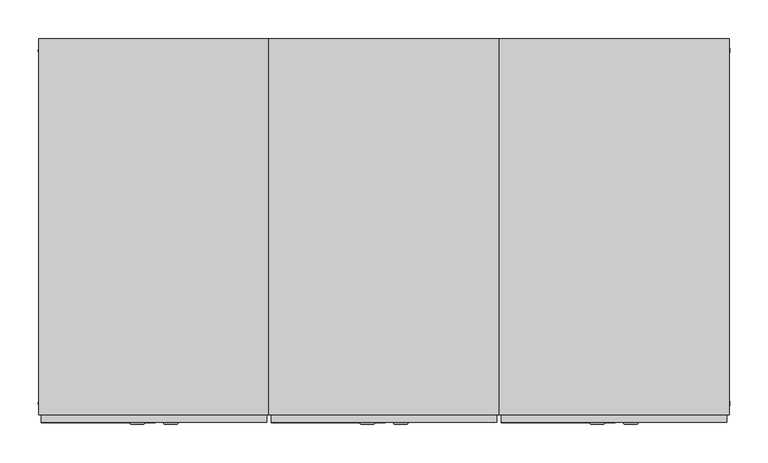
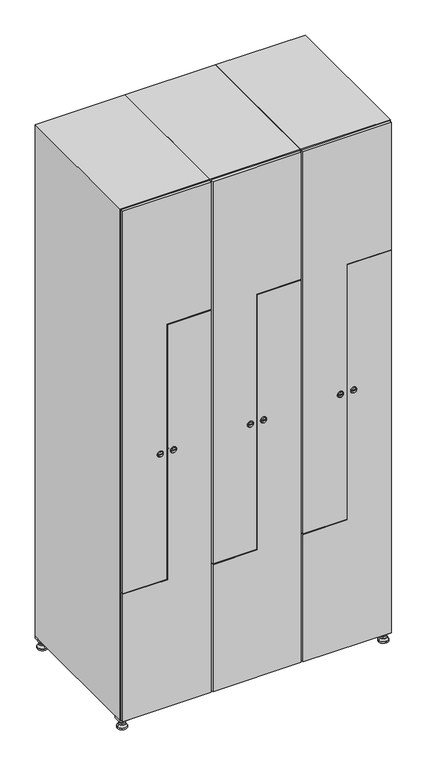
"""IFC4 building model written with IfcOpenShell, lengths in millimetres: furniture geometry."""

from ifc_helpers import new_model, si_unit, point, frame, frame_2d, origin, origin_with_axes, place, context, project, spatial, polyline, circle_curve, trimmed, segment, composite_curve, outline, extrude, faceted_brep, source, transform, mapped, element, save
from ifc_brep_helpers import plane_surface, revolved_surface, advanced_brep


def furniture_1e2fbcb1(model_context):
    return source(origin(), model_context, "Body", "SolidModel", [
        extrude(outline(polyline([(700.0, 245.0), (700.0, 215.0), (670.0, 215.0), (670.0, 245.0), (700.0, 245.0)]), holes=[polyline([(698.0, 243.0), (672.0, 243.0), (672.0, 217.0), (698.0, 217.0), (698.0, 243.0)])]), frame((0.0, 0.0, 28.5), z_axis=(0.0, 0.0, 1.0), x_axis=(1.0, 0.0, 0.0)), (0.0, 0.0, 1.0), 6.5),
        extrude(outline(polyline([(670.0, -245.0), (670.0, -215.0), (700.0, -215.0), (700.0, -245.0), (670.0, -245.0)]), holes=[polyline([(672.0, -243.0), (698.0, -243.0), (698.0, -217.0), (672.0, -217.0), (672.0, -243.0)])]), frame((0.0, 0.0, 28.5), z_axis=(0.0, 0.0, 1.0), x_axis=(1.0, 0.0, 0.0)), (0.0, 0.0, 1.0), 6.5),
        extrude(outline(polyline([(-170.0, 245.0), (-170.0, 215.0), (-200.0, 215.0), (-200.0, 245.0), (-170.0, 245.0)]), holes=[polyline([(-172.0, 243.0), (-198.0, 243.0), (-198.0, 217.0), (-172.0, 217.0), (-172.0, 243.0)])]), frame((0.0, 0.0, 28.5), z_axis=(0.0, 0.0, 1.0), x_axis=(1.0, 0.0, 0.0)), (0.0, 0.0, 1.0), 6.5),
        extrude(outline(polyline([(-170.0, -215.0), (-170.0, -245.0), (-200.0, -245.0), (-200.0, -215.0), (-170.0, -215.0)]), holes=[polyline([(-198.0, -243.0), (-172.0, -243.0), (-172.0, -217.0), (-198.0, -217.0), (-198.0, -243.0)])]), frame((0.0, 0.0, 28.5), z_axis=(0.0, 0.0, 1.0), x_axis=(1.0, 0.0, 0.0)), (0.0, 0.0, 1.0), 6.5),
        extrude(outline(composite_curve([segment(trimmed(circle_curve(frame_2d((-185.0, 230.0)), 5.0), [point((-180.0, 230.0))], [point((-190.0, 230.0))], False, "CARTESIAN"), True, "CONTINUOUS"), segment(trimmed(circle_curve(frame_2d((-185.0, 230.0)), 5.0), [point((-190.0, 230.0))], [point((-180.0, 230.0))], False, "CARTESIAN"), True, "CONTINUOUS")], self_intersect=False)), frame((0.0, 0.0, 19.6), z_axis=(0.0, 0.0, 1.0), x_axis=(1.0, 0.0, 0.0)), (0.0, 0.0, 1.0), 15.4),
        extrude(outline(composite_curve([segment(trimmed(circle_curve(frame_2d((-185.0, -230.0)), 5.0), [point((-180.0, -230.0))], [point((-190.0, -230.0))], False, "CARTESIAN"), True, "CONTINUOUS"), segment(trimmed(circle_curve(frame_2d((-185.0, -230.0)), 5.0), [point((-190.0, -230.0))], [point((-180.0, -230.0))], False, "CARTESIAN"), True, "CONTINUOUS")], self_intersect=False)), frame((0.0, 0.0, 19.6), z_axis=(0.0, 0.0, 1.0), x_axis=(1.0, 0.0, 0.0)), (0.0, 0.0, 1.0), 15.4),
        extrude(outline(composite_curve([segment(trimmed(circle_curve(frame_2d((685.0, 230.0)), 5.0), [point((690.0, 230.0))], [point((680.0, 230.0))], False, "CARTESIAN"), True, "CONTINUOUS"), segment(trimmed(circle_curve(frame_2d((685.0, 230.0)), 5.0), [point((680.0, 230.0))], [point((690.0, 230.0))], False, "CARTESIAN"), True, "CONTINUOUS")], self_intersect=False)), frame((0.0, 0.0, 19.6), z_axis=(0.0, 0.0, 1.0), x_axis=(1.0, 0.0, 0.0)), (0.0, 0.0, 1.0), 15.4),
        extrude(outline(polyline([(673.4529946, 230.0), (679.2264973, 240.0), (690.7735027, 240.0), (696.5470054, 230.0), (690.7735027, 220.0), (679.2264973, 220.0), (673.4529946, 230.0)])), frame((0.0, 0.0, 13.6), z_axis=(0.0, 0.0, 1.0), x_axis=(1.0, 0.0, 0.0)), (0.0, 0.0, 1.0), 6.0),
        extrude(outline(composite_curve([segment(trimmed(circle_curve(frame_2d((685.0, -230.0)), 5.0), [point((690.0, -230.0))], [point((680.0, -230.0))], False, "CARTESIAN"), True, "CONTINUOUS"), segment(trimmed(circle_curve(frame_2d((685.0, -230.0)), 5.0), [point((680.0, -230.0))], [point((690.0, -230.0))], False, "CARTESIAN"), True, "CONTINUOUS")], self_intersect=False)), frame((0.0, 0.0, 19.6), z_axis=(0.0, 0.0, 1.0), x_axis=(1.0, 0.0, 0.0)), (0.0, 0.0, 1.0), 15.4),
        extrude(outline(polyline([(673.4529946, -230.0), (679.2264973, -220.0), (690.7735027, -220.0), (696.5470054, -230.0), (690.7735027, -240.0), (679.2264973, -240.0), (673.4529946, -230.0)])), frame((0.0, 0.0, 13.6), z_axis=(0.0, 0.0, 1.0), x_axis=(1.0, 0.0, 0.0)), (0.0, 0.0, 1.0), 6.0),
        extrude(outline(composite_curve([segment(trimmed(circle_curve(frame_2d((685.0, 230.0)), 5.0), [point((690.0, 230.0))], [point((680.0, 230.0))], False, "CARTESIAN"), True, "CONTINUOUS"), segment(trimmed(circle_curve(frame_2d((685.0, 230.0)), 5.0), [point((680.0, 230.0))], [point((690.0, 230.0))], False, "CARTESIAN"), True, "CONTINUOUS")], self_intersect=False)), frame((0.0, 0.0, 12.1), z_axis=(0.0, 0.0, 1.0), x_axis=(1.0, 0.0, 0.0)), (0.0, 0.0, 1.0), 1.5),
        extrude(outline(composite_curve([segment(trimmed(circle_curve(frame_2d((685.0, -230.0)), 5.0), [point((690.0, -230.0))], [point((680.0, -230.0))], False, "CARTESIAN"), True, "CONTINUOUS"), segment(trimmed(circle_curve(frame_2d((685.0, -230.0)), 5.0), [point((680.0, -230.0))], [point((690.0, -230.0))], False, "CARTESIAN"), True, "CONTINUOUS")], self_intersect=False)), frame((0.0, 0.0, 12.1), z_axis=(0.0, 0.0, 1.0), x_axis=(1.0, 0.0, 0.0)), (0.0, 0.0, 1.0), 1.5),
        extrude(outline(polyline([(-196.5470054, 230.0), (-190.7735027, 240.0), (-179.2264973, 240.0), (-173.4529946, 230.0), (-179.2264973, 220.0), (-190.7735027, 220.0), (-196.5470054, 230.0)])), frame((0.0, 0.0, 13.6), z_axis=(0.0, 0.0, 1.0), x_axis=(1.0, 0.0, 0.0)), (0.0, 0.0, 1.0), 6.0),
        extrude(outline(polyline([(-196.5470054, -230.0), (-190.7735027, -220.0), (-179.2264973, -220.0), (-173.4529946, -230.0), (-179.2264973, -240.0), (-190.7735027, -240.0), (-196.5470054, -230.0)])), frame((0.0, 0.0, 13.6), z_axis=(0.0, 0.0, 1.0), x_axis=(1.0, 0.0, 0.0)), (0.0, 0.0, 1.0), 6.0),
        extrude(outline(composite_curve([segment(trimmed(circle_curve(frame_2d((-185.0, 230.0)), 5.0), [point((-185.0, 235.0))], [point((-185.0, 225.0))], False, "CARTESIAN"), True, "CONTINUOUS"), segment(trimmed(circle_curve(frame_2d((-185.0, 230.0)), 5.0), [point((-185.0, 225.0))], [point((-185.0, 235.0))], False, "CARTESIAN"), True, "CONTINUOUS")], self_intersect=False)), frame((0.0, 0.0, 12.1), z_axis=(0.0, 0.0, 1.0), x_axis=(1.0, 0.0, 0.0)), (0.0, 0.0, 1.0), 1.5),
        extrude(outline(composite_curve([segment(trimmed(circle_curve(frame_2d((-185.0, -230.0)), 5.0), [point((-180.0, -230.0))], [point((-190.0, -230.0))], False, "CARTESIAN"), True, "CONTINUOUS"), segment(trimmed(circle_curve(frame_2d((-185.0, -230.0)), 5.0), [point((-190.0, -230.0))], [point((-180.0, -230.0))], False, "CARTESIAN"), True, "CONTINUOUS")], self_intersect=False)), frame((0.0, 0.0, 12.1), z_axis=(0.0, 0.0, 1.0), x_axis=(1.0, 0.0, 0.0)), (0.0, 0.0, 1.0), 1.5),
        extrude(outline(composite_curve([segment(trimmed(circle_curve(frame_2d((685.0, 230.0)), 15.75), [point((700.75, 230.0))], [point((669.25, 230.0))], False, "CARTESIAN"), True, "CONTINUOUS"), segment(trimmed(circle_curve(frame_2d((685.0, 230.0)), 15.75), [point((669.25, 230.0))], [point((700.75, 230.0))], False, "CARTESIAN"), True, "CONTINUOUS")], self_intersect=False)), origin_with_axes(), (0.0, 0.0, 1.0), 5.1),
        extrude(outline(composite_curve([segment(trimmed(circle_curve(frame_2d((685.0, -230.0)), 15.75), [point((685.0, -214.25))], [point((685.0, -245.75))], False, "CARTESIAN"), True, "CONTINUOUS"), segment(trimmed(circle_curve(frame_2d((685.0, -230.0)), 15.75), [point((685.0, -245.75))], [point((685.0, -214.25))], False, "CARTESIAN"), True, "CONTINUOUS")], self_intersect=False)), origin_with_axes(), (0.0, 0.0, 1.0), 5.1),
        extrude(outline(composite_curve([segment(trimmed(circle_curve(frame_2d((-185.0, -230.0)), 15.75), [point((-169.25, -230.0))], [point((-200.75, -230.0))], False, "CARTESIAN"), True, "CONTINUOUS"), segment(trimmed(circle_curve(frame_2d((-185.0, -230.0)), 15.75), [point((-200.75, -230.0))], [point((-169.25, -230.0))], False, "CARTESIAN"), True, "CONTINUOUS")], self_intersect=False)), origin_with_axes(), (0.0, 0.0, 1.0), 5.1),
        extrude(outline(composite_curve([segment(trimmed(circle_curve(frame_2d((-185.0, 230.0)), 15.75), [point((-169.25, 230.0))], [point((-200.75, 230.0))], False, "CARTESIAN"), True, "CONTINUOUS"), segment(trimmed(circle_curve(frame_2d((-185.0, 230.0)), 15.75), [point((-200.75, 230.0))], [point((-169.25, 230.0))], False, "CARTESIAN"), True, "CONTINUOUS")], self_intersect=False)), origin_with_axes(), (0.0, 0.0, 1.0), 5.1),
        advanced_brep(
        [(-185.0, 239.5, 12.1), (-185.0, 220.5, 12.1), (-185.0, 214.25, 5.1), (-185.0, 245.75, 5.1)],
        [
            (0, 1, circle_curve(frame((-185.0, 230.0, 12.1), z_axis=(0.0, 0.0, -1.0), x_axis=(0.0, 1.0, 0.0)), 9.5)),
            (1, 2),
            (2, 3, circle_curve(frame((-185.0, 230.0, 5.1), z_axis=(0.0, 0.0, 1.0), x_axis=(0.0, 1.0, 0.0)), 15.75)),
            (3, 0),
            (1, 0, circle_curve(frame((-185.0, 230.0, 12.1), z_axis=(0.0, 0.0, -1.0), x_axis=(0.0, -1.0, 0.0)), 9.5)),
            (3, 2, circle_curve(frame((-185.0, 230.0, 5.1), z_axis=(0.0, 0.0, 1.0), x_axis=(0.0, -1.0, 0.0)), 15.75)),
        ],
        [
            revolved_surface(polyline([(-185.0, 220.5, 12.099999999999998), (-185.0, 214.25, 5.099999999999998)]), (-185.0, 230.0, 22.74), (0.0, 0.0, -1.0)),
            revolved_surface(polyline([(-185.0, 239.5, 12.099999999999998), (-185.0, 245.75, 5.099999999999998)]), (-185.0, 230.0, 22.74), (0.0, 0.0, -1.0)),
            plane_surface(frame((-185.0, 230.0, 5.1), z_axis=(0.0, 0.0, -1.0), x_axis=(1.0, 0.0, 0.0))),
            plane_surface(frame((-185.0, 230.0, 12.1), z_axis=(0.0, 0.0, 1.0), x_axis=(1.0, 0.0, 0.0))),
        ],
        [
            (0, [[1, 2, 3, 4]]),
            (1, [[5, -4, 6, -2]]),
            (2, [[-3, -6]]),
            (3, [[-5, -1]]),
        ],
    ),
        advanced_brep(
        [(685.0, 239.5, 12.1), (685.0, 220.5, 12.1), (685.0, 214.25, 5.1), (685.0, 245.75, 5.1)],
        [
            (0, 1, circle_curve(frame((685.0, 230.0, 12.1), z_axis=(0.0, 0.0, -1.0), x_axis=(0.0, 1.0, 0.0)), 9.5)),
            (1, 2),
            (2, 3, circle_curve(frame((685.0, 230.0, 5.1), z_axis=(0.0, 0.0, 1.0), x_axis=(0.0, 1.0, 0.0)), 15.75)),
            (3, 0),
            (1, 0, circle_curve(frame((685.0, 230.0, 12.1), z_axis=(0.0, 0.0, -1.0), x_axis=(0.0, -1.0, 0.0)), 9.5)),
            (3, 2, circle_curve(frame((685.0, 230.0, 5.1), z_axis=(0.0, 0.0, 1.0), x_axis=(0.0, -1.0, 0.0)), 15.75)),
        ],
        [
            revolved_surface(polyline([(685.0, 220.5, 12.099999999999998), (685.0, 214.25, 5.099999999999998)]), (685.0, 230.0, 22.74), (0.0, 0.0, -1.0)),
            revolved_surface(polyline([(685.0, 239.5, 12.099999999999998), (685.0, 245.75, 5.099999999999998)]), (685.0, 230.0, 22.74), (0.0, 0.0, -1.0)),
            plane_surface(frame((685.0, 230.0, 5.1), z_axis=(0.0, 0.0, -1.0), x_axis=(1.0, 0.0, 0.0))),
            plane_surface(frame((685.0, 230.0, 12.1), z_axis=(0.0, 0.0, 1.0), x_axis=(1.0, 0.0, 0.0))),
        ],
        [
            (0, [[1, 2, 3, 4]]),
            (1, [[5, -4, 6, -2]]),
            (2, [[-3, -6]]),
            (3, [[-5, -1]]),
        ],
    ),
        advanced_brep(
        [(700.75, -230.0, 5.1), (669.25, -230.0, 5.1), (675.5, -230.0, 12.1), (694.5, -230.0, 12.1)],
        [
            (0, 1, circle_curve(frame((685.0, -230.0, 5.1), z_axis=(0.0, 0.0, 1.0), x_axis=(1.0, 0.0, 0.0)), 15.75)),
            (1, 2),
            (2, 3, circle_curve(frame((685.0, -230.0, 12.1), z_axis=(0.0, 0.0, -1.0), x_axis=(1.0, 0.0, 0.0)), 9.5)),
            (3, 0),
            (1, 0, circle_curve(frame((685.0, -230.0, 5.1), z_axis=(0.0, 0.0, 1.0), x_axis=(-1.0, 0.0, 0.0)), 15.75)),
            (3, 2, circle_curve(frame((685.0, -230.0, 12.1), z_axis=(0.0, 0.0, -1.0), x_axis=(-1.0, 0.0, 0.0)), 9.5)),
        ],
        [
            revolved_surface(polyline([(694.5, -230.0, 12.099999999999998), (700.75, -230.0, 5.099999999999998)]), (685.0, -230.0, 22.74), (0.0, 0.0, -1.0)),
            revolved_surface(polyline([(675.5, -230.0, 12.099999999999998), (669.25, -230.0, 5.099999999999998)]), (685.0, -230.0, 22.74), (0.0, 0.0, -1.0)),
            plane_surface(frame((685.0, -230.0, 12.1), z_axis=(0.0, 0.0, 1.0), x_axis=(0.0, 1.0, 0.0))),
            plane_surface(frame((685.0, -230.0, 5.1), z_axis=(0.0, 0.0, -1.0), x_axis=(0.0, 1.0, 0.0))),
        ],
        [
            (0, [[1, 2, 3, 4]]),
            (1, [[5, -4, 6, -2]]),
            (2, [[-3, -6]]),
            (3, [[-5, -1]]),
        ],
    ),
        advanced_brep(
        [(-169.25, -230.0, 5.1), (-200.75, -230.0, 5.1), (-194.5, -230.0, 12.1), (-175.5, -230.0, 12.1)],
        [
            (0, 1, circle_curve(frame((-185.0, -230.0, 5.1), z_axis=(0.0, 0.0, 1.0), x_axis=(1.0, 0.0, 0.0)), 15.75)),
            (1, 2),
            (2, 3, circle_curve(frame((-185.0, -230.0, 12.1), z_axis=(0.0, 0.0, -1.0), x_axis=(1.0, 0.0, 0.0)), 9.5)),
            (3, 0),
            (1, 0, circle_curve(frame((-185.0, -230.0, 5.1), z_axis=(0.0, 0.0, 1.0), x_axis=(-1.0, 0.0, 0.0)), 15.75)),
            (3, 2, circle_curve(frame((-185.0, -230.0, 12.1), z_axis=(0.0, 0.0, -1.0), x_axis=(-1.0, 0.0, 0.0)), 9.5)),
        ],
        [
            revolved_surface(polyline([(-175.5, -230.0, 12.099999999999998), (-169.25, -230.0, 5.099999999999998)]), (-185.0, -230.0, 22.74), (0.0, 0.0, -1.0)),
            revolved_surface(polyline([(-194.5, -230.0, 12.099999999999998), (-200.75, -230.0, 5.099999999999998)]), (-185.0, -230.0, 22.74), (0.0, 0.0, -1.0)),
            plane_surface(frame((-185.0, -230.0, 12.1), z_axis=(0.0, 0.0, 1.0), x_axis=(0.0, 1.0, 0.0))),
            plane_surface(frame((-185.0, -230.0, 5.1), z_axis=(0.0, 0.0, -1.0), x_axis=(0.0, 1.0, 0.0))),
        ],
        [
            (0, [[1, 2, 3, 4]]),
            (1, [[5, -4, 6, -2]]),
            (2, [[-3, -6]]),
            (3, [[-5, -1]]),
        ],
    ),
        extrude(outline(composite_curve([segment(trimmed(circle_curve(frame_2d((935.0, 554.7989466)), 7.0), [point((928.0, 554.7989466))], [point((942.0, 554.7989466))], False, "CARTESIAN"), True, "CONTINUOUS"), segment(polyline([(942.0, 554.7989466), (942.0, 526.7989466)]), True, "CONTINUOUS"), segment(trimmed(circle_curve(frame_2d((935.0, 526.7989466)), 7.0), [point((942.0, 526.7989466))], [point((928.0, 526.7989466))], False, "CARTESIAN"), True, "CONTINUOUS"), segment(polyline([(928.0, 526.7989466), (928.0, 554.7989466)]), True, "CONTINUOUS")], self_intersect=False)), frame((0.0, -245.0, 0.0), z_axis=(0.0, 1.0, 0.0), x_axis=(0.0, 0.0, 1.0)), (0.0, 0.0, 1.0), 2.0),
        advanced_brep(
        [(519.5, -257.2, 935.0), (536.5, -257.2, 935.0), (533.0, -257.2, 936.25), (533.0, -257.2, 933.75), (523.0, -257.2, 933.75), (523.0, -257.2, 936.25), (517.5, -255.0, 935.0), (538.5, -255.0, 935.0), (533.0, -255.0, 933.75), (533.0, -255.0, 936.25), (523.0, -255.0, 936.25), (523.0, -255.0, 933.75)],
        [
            (0, 1, circle_curve(frame((528.0, -257.2, 935.0), z_axis=(0.0, -1.0, 0.0), x_axis=(-1.0, 0.0, 0.0)), 8.5)),
            (1, 0, circle_curve(frame((528.0, -257.2, 935.0), z_axis=(0.0, -1.0, 0.0), x_axis=(1.0, 0.0, 0.0)), 8.5)),
            (2, 3),
            (3, 4),
            (4, 5),
            (5, 2),
            (6, 7, circle_curve(frame((528.0, -255.0, 935.0), z_axis=(0.0, 1.0, 0.0), x_axis=(1.0, 0.0, 0.0)), 10.5)),
            (7, 6, circle_curve(frame((528.0, -255.0, 935.0), z_axis=(0.0, 1.0, 0.0), x_axis=(-1.0, 0.0, 0.0)), 10.5)),
            (8, 9),
            (9, 10),
            (10, 11),
            (11, 8),
            (0, 6),
            (7, 1),
            (8, 3),
            (2, 9),
            (11, 4),
            (10, 5),
        ],
        [
            plane_surface(frame((528.0, -257.2, 935.0), z_axis=(0.0, -1.0, 0.0), x_axis=(0.0, 0.0, -1.0))),
            plane_surface(frame((528.0, -255.0, 935.0), z_axis=(0.0, 1.0, 0.0), x_axis=(0.0, 0.0, -1.0))),
            revolved_surface(polyline([(519.5, -257.2, 935.0), (517.5, -255.0, 935.0)]), (528.0, -266.55, 935.0), (0.0, 1.0, 0.0)),
            revolved_surface(polyline([(536.5, -257.2, 935.0), (538.5, -255.0, 935.0)]), (528.0, -266.55, 935.0), (0.0, 1.0, 0.0)),
            plane_surface(frame((533.0, -255.0, 936.25), z_axis=(-1.0, 0.0, 0.0), x_axis=(0.0, -1.0, 0.0))),
            plane_surface(frame((533.0, -255.0, 933.75), z_axis=(0.0, 0.0, 1.0), x_axis=(0.0, -1.0, 0.0))),
            plane_surface(frame((523.0, -255.0, 933.75), z_axis=(1.0, 0.0, 0.0), x_axis=(0.0, -1.0, 0.0))),
            plane_surface(frame((523.0, -255.0, 936.25), z_axis=(0.0, 0.0, -1.0), x_axis=(0.0, -1.0, 0.0))),
        ],
        [
            (0, [[1, 2], [3, 4, 5, 6]]),
            (1, [[7, 8], [9, 10, 11, 12]]),
            (2, [[-1, 13, -8, 14]]),
            (3, [[-2, -14, -7, -13]]),
            (4, [[15, -3, 16, -9]]),
            (5, [[-15, -12, 17, -4]]),
            (6, [[-17, -11, 18, -5]]),
            (7, [[-16, -6, -18, -10]]),
        ],
    ),
        extrude(outline(polyline([(1832.0, 403.0), (488.0, 403.0), (488.0, 548.5), (1385.0, 548.5), (1385.0, 697.0), (1832.0, 697.0), (1832.0, 403.0)])), frame((0.0, -255.0, 0.0), z_axis=(0.0, 1.0, 0.0), x_axis=(0.0, 0.0, 1.0)), (0.0, 0.0, 1.0), 10.0),
        extrude(outline(composite_curve([segment(trimmed(circle_curve(frame_2d((935.0, 545.2010534)), 7.0), [point((942.0, 545.2010534))], [point((928.0, 545.2010534))], False, "CARTESIAN"), True, "CONTINUOUS"), segment(polyline([(928.0, 545.2010534), (928.0, 573.2010534)]), True, "CONTINUOUS"), segment(trimmed(circle_curve(frame_2d((935.0, 573.2010534)), 7.0), [point((928.0, 573.2010534))], [point((942.0, 573.2010534))], False, "CARTESIAN"), True, "CONTINUOUS"), segment(polyline([(942.0, 573.2010534), (942.0, 545.2010534)]), True, "CONTINUOUS")], self_intersect=False)), frame((0.0, -245.0, 0.0), z_axis=(0.0, 1.0, 0.0), x_axis=(0.0, 0.0, 1.0)), (0.0, 0.0, 1.0), 2.0),
        advanced_brep(
        [(580.5, -257.2, 935.0), (563.5, -257.2, 935.0), (567.0, -257.2, 933.75), (567.0, -257.2, 936.25), (577.0, -257.2, 936.25), (577.0, -257.2, 933.75), (582.5, -255.0, 935.0), (561.5, -255.0, 935.0), (567.0, -255.0, 936.25), (567.0, -255.0, 933.75), (577.0, -255.0, 933.75), (577.0, -255.0, 936.25)],
        [
            (0, 1, circle_curve(frame((572.0, -257.2, 935.0), z_axis=(0.0, -1.0, 0.0), x_axis=(1.0, 0.0, 0.0)), 8.5)),
            (1, 0, circle_curve(frame((572.0, -257.2, 935.0), z_axis=(0.0, -1.0, 0.0), x_axis=(-1.0, 0.0, 0.0)), 8.5)),
            (2, 3),
            (3, 4),
            (4, 5),
            (5, 2),
            (6, 7, circle_curve(frame((572.0, -255.0, 935.0), z_axis=(0.0, 1.0, 0.0), x_axis=(-1.0, 0.0, 0.0)), 10.5)),
            (7, 6, circle_curve(frame((572.0, -255.0, 935.0), z_axis=(0.0, 1.0, 0.0), x_axis=(1.0, 0.0, 0.0)), 10.5)),
            (8, 9),
            (9, 10),
            (10, 11),
            (11, 8),
            (0, 6),
            (7, 1),
            (8, 3),
            (2, 9),
            (11, 4),
            (10, 5),
        ],
        [
            plane_surface(frame((572.0, -257.2, 935.0), z_axis=(0.0, -1.0, 0.0), x_axis=(0.0, 0.0, 1.0))),
            plane_surface(frame((572.0, -255.0, 935.0), z_axis=(0.0, 1.0, 0.0), x_axis=(0.0, 0.0, 1.0))),
            revolved_surface(polyline([(580.5, -257.2, 935.0), (582.5, -255.0, 935.0)]), (572.0, -266.55, 935.0), (0.0, 1.0, 0.0)),
            revolved_surface(polyline([(563.5, -257.2, 935.0), (561.5, -255.0, 935.0)]), (572.0, -266.55, 935.0), (0.0, 1.0, 0.0)),
            plane_surface(frame((567.0, -255.0, 933.75), z_axis=(1.0, 0.0, 0.0), x_axis=(0.0, -1.0, 0.0))),
            plane_surface(frame((567.0, -255.0, 936.25), z_axis=(0.0, 0.0, -1.0), x_axis=(0.0, -1.0, 0.0))),
            plane_surface(frame((577.0, -255.0, 936.25), z_axis=(-1.0, 0.0, 0.0), x_axis=(0.0, -1.0, 0.0))),
            plane_surface(frame((577.0, -255.0, 933.75), z_axis=(0.0, 0.0, 1.0), x_axis=(0.0, -1.0, 0.0))),
        ],
        [
            (0, [[1, 2], [3, 4, 5, 6]]),
            (1, [[7, 8], [9, 10, 11, 12]]),
            (2, [[-1, 13, -8, 14]]),
            (3, [[-2, -14, -7, -13]]),
            (4, [[15, -3, 16, -9]]),
            (5, [[-15, -12, 17, -4]]),
            (6, [[-17, -11, 18, -5]]),
            (7, [[-16, -6, -18, -10]]),
        ],
    ),
        extrude(outline(polyline([(38.0, 697.0), (1382.0, 697.0), (1382.0, 551.5), (485.0, 551.5), (485.0, 403.0), (38.0, 403.0), (38.0, 697.0)])), frame((0.0, -255.0, 0.0), z_axis=(0.0, 1.0, 0.0), x_axis=(0.0, 0.0, 1.0)), (0.0, 0.0, 1.0), 10.0),
        extrude(outline(polyline([(1373.3, 679.6), (1393.7, 679.6), (1393.7, 539.8), (496.7, 539.8), (496.7, 420.4), (476.3, 420.4), (476.3, 560.2), (1373.3, 560.2), (1373.3, 679.6)])), frame((0.0, -245.0, 0.0), z_axis=(0.0, 1.0, 0.0), x_axis=(0.0, 0.0, 1.0)), (0.0, 0.0, 1.0), 487.0),
        faceted_brep([(700.0, -245.0, 35.0), (700.0, -245.0, 1835.0), (400.0, -245.0, 1835.0), (400.0, -245.0, 35.0), (679.6, -245.0, 1804.8), (679.6, -245.0, 65.2), (420.4, -245.0, 65.2), (420.4, -245.0, 1804.8), (700.0, 245.0, 35.0), (400.0, 245.0, 35.0), (700.0, 245.0, 1835.0), (400.0, 245.0, 1835.0), (679.6, 242.0, 1804.8), (679.6, 242.0, 65.2), (400.0, 245.0, 1804.8), (420.4, 242.0, 1804.8), (420.4, 242.0, 65.2)], [[[0, 1, 2, 3], [4, 5, 6, 7]], [[8, 0, 3, 9]], [[1, 0, 8, 10]], [[1, 10, 11, 2]], [[4, 12, 13, 5]], [[9, 3, 2, 11, 14]], [[10, 8, 9, 14, 11]], [[12, 15, 16, 13]], [[15, 7, 6, 16]], [[4, 7, 15, 12]], [[6, 5, 13, 16]]]),
        extrude(outline(composite_curve([segment(trimmed(circle_curve(frame_2d((935.0, 254.7989466)), 7.0), [point((928.0, 254.7989466))], [point((942.0, 254.7989466))], False, "CARTESIAN"), True, "CONTINUOUS"), segment(polyline([(942.0, 254.7989466), (942.0, 226.7989466)]), True, "CONTINUOUS"), segment(trimmed(circle_curve(frame_2d((935.0, 226.7989466)), 7.0), [point((942.0, 226.7989466))], [point((928.0, 226.7989466))], False, "CARTESIAN"), True, "CONTINUOUS"), segment(polyline([(928.0, 226.7989466), (928.0, 254.7989466)]), True, "CONTINUOUS")], self_intersect=False)), frame((0.0, -245.0, 0.0), z_axis=(0.0, 1.0, 0.0), x_axis=(0.0, 0.0, 1.0)), (0.0, 0.0, 1.0), 2.0),
        advanced_brep(
        [(219.5, -257.2, 935.0), (236.5, -257.2, 935.0), (233.0, -257.2, 936.25), (233.0, -257.2, 933.75), (223.0, -257.2, 933.75), (223.0, -257.2, 936.25), (217.5, -255.0, 935.0), (238.5, -255.0, 935.0), (233.0, -255.0, 933.75), (233.0, -255.0, 936.25), (223.0, -255.0, 936.25), (223.0, -255.0, 933.75)],
        [
            (0, 1, circle_curve(frame((228.0, -257.2, 935.0), z_axis=(0.0, -1.0, 0.0), x_axis=(-1.0, 0.0, 0.0)), 8.5)),
            (1, 0, circle_curve(frame((228.0, -257.2, 935.0), z_axis=(0.0, -1.0, 0.0), x_axis=(1.0, 0.0, 0.0)), 8.5)),
            (2, 3),
            (3, 4),
            (4, 5),
            (5, 2),
            (6, 7, circle_curve(frame((228.0, -255.0, 935.0), z_axis=(0.0, 1.0, 0.0), x_axis=(1.0, 0.0, 0.0)), 10.5)),
            (7, 6, circle_curve(frame((228.0, -255.0, 935.0), z_axis=(0.0, 1.0, 0.0), x_axis=(-1.0, 0.0, 0.0)), 10.5)),
            (8, 9),
            (9, 10),
            (10, 11),
            (11, 8),
            (0, 6),
            (7, 1),
            (8, 3),
            (2, 9),
            (11, 4),
            (10, 5),
        ],
        [
            plane_surface(frame((228.0, -257.2, 935.0), z_axis=(0.0, -1.0, 0.0), x_axis=(0.0, 0.0, -1.0))),
            plane_surface(frame((228.0, -255.0, 935.0), z_axis=(0.0, 1.0, 0.0), x_axis=(0.0, 0.0, -1.0))),
            revolved_surface(polyline([(219.5, -257.2, 935.0), (217.5, -255.0, 935.0)]), (228.0, -266.55, 935.0), (0.0, 1.0, 0.0)),
            revolved_surface(polyline([(236.5, -257.2, 935.0), (238.5, -255.0, 935.0)]), (228.0, -266.55, 935.0), (0.0, 1.0, 0.0)),
            plane_surface(frame((233.0, -255.0, 936.25), z_axis=(-1.0, 0.0, 0.0), x_axis=(0.0, -1.0, 0.0))),
            plane_surface(frame((233.0, -255.0, 933.75), z_axis=(0.0, 0.0, 1.0), x_axis=(0.0, -1.0, 0.0))),
            plane_surface(frame((223.0, -255.0, 933.75), z_axis=(1.0, 0.0, 0.0), x_axis=(0.0, -1.0, 0.0))),
            plane_surface(frame((223.0, -255.0, 936.25), z_axis=(0.0, 0.0, -1.0), x_axis=(0.0, -1.0, 0.0))),
        ],
        [
            (0, [[1, 2], [3, 4, 5, 6]]),
            (1, [[7, 8], [9, 10, 11, 12]]),
            (2, [[-1, 13, -8, 14]]),
            (3, [[-2, -14, -7, -13]]),
            (4, [[15, -3, 16, -9]]),
            (5, [[-15, -12, 17, -4]]),
            (6, [[-17, -11, 18, -5]]),
            (7, [[-16, -6, -18, -10]]),
        ],
    ),
        extrude(outline(polyline([(1832.0, 103.0), (488.0, 103.0), (488.0, 248.5), (1385.0, 248.5), (1385.0, 397.0), (1832.0, 397.0), (1832.0, 103.0)])), frame((0.0, -255.0, 0.0), z_axis=(0.0, 1.0, 0.0), x_axis=(0.0, 0.0, 1.0)), (0.0, 0.0, 1.0), 10.0),
        extrude(outline(composite_curve([segment(trimmed(circle_curve(frame_2d((935.0, 245.2010534)), 7.0), [point((942.0, 245.2010534))], [point((928.0, 245.2010534))], False, "CARTESIAN"), True, "CONTINUOUS"), segment(polyline([(928.0, 245.2010534), (928.0, 273.2010534)]), True, "CONTINUOUS"), segment(trimmed(circle_curve(frame_2d((935.0, 273.2010534)), 7.0), [point((928.0, 273.2010534))], [point((942.0, 273.2010534))], False, "CARTESIAN"), True, "CONTINUOUS"), segment(polyline([(942.0, 273.2010534), (942.0, 245.2010534)]), True, "CONTINUOUS")], self_intersect=False)), frame((0.0, -245.0, 0.0), z_axis=(0.0, 1.0, 0.0), x_axis=(0.0, 0.0, 1.0)), (0.0, 0.0, 1.0), 2.0),
        advanced_brep(
        [(280.5, -257.2, 935.0), (263.5, -257.2, 935.0), (267.0, -257.2, 933.75), (267.0, -257.2, 936.25), (277.0, -257.2, 936.25), (277.0, -257.2, 933.75), (282.5, -255.0, 935.0), (261.5, -255.0, 935.0), (267.0, -255.0, 936.25), (267.0, -255.0, 933.75), (277.0, -255.0, 933.75), (277.0, -255.0, 936.25)],
        [
            (0, 1, circle_curve(frame((272.0, -257.2, 935.0), z_axis=(0.0, -1.0, 0.0), x_axis=(1.0, 0.0, 0.0)), 8.5)),
            (1, 0, circle_curve(frame((272.0, -257.2, 935.0), z_axis=(0.0, -1.0, 0.0), x_axis=(-1.0, 0.0, 0.0)), 8.5)),
            (2, 3),
            (3, 4),
            (4, 5),
            (5, 2),
            (6, 7, circle_curve(frame((272.0, -255.0, 935.0), z_axis=(0.0, 1.0, 0.0), x_axis=(-1.0, 0.0, 0.0)), 10.5)),
            (7, 6, circle_curve(frame((272.0, -255.0, 935.0), z_axis=(0.0, 1.0, 0.0), x_axis=(1.0, 0.0, 0.0)), 10.5)),
            (8, 9),
            (9, 10),
            (10, 11),
            (11, 8),
            (0, 6),
            (7, 1),
            (8, 3),
            (2, 9),
            (11, 4),
            (10, 5),
        ],
        [
            plane_surface(frame((272.0, -257.2, 935.0), z_axis=(0.0, -1.0, 0.0), x_axis=(0.0, 0.0, 1.0))),
            plane_surface(frame((272.0, -255.0, 935.0), z_axis=(0.0, 1.0, 0.0), x_axis=(0.0, 0.0, 1.0))),
            revolved_surface(polyline([(280.5, -257.2, 935.0), (282.5, -255.0, 935.0)]), (272.0, -266.55, 935.0), (0.0, 1.0, 0.0)),
            revolved_surface(polyline([(263.5, -257.2, 935.0), (261.5, -255.0, 935.0)]), (272.0, -266.55, 935.0), (0.0, 1.0, 0.0)),
            plane_surface(frame((267.0, -255.0, 933.75), z_axis=(1.0, 0.0, 0.0), x_axis=(0.0, -1.0, 0.0))),
            plane_surface(frame((267.0, -255.0, 936.25), z_axis=(0.0, 0.0, -1.0), x_axis=(0.0, -1.0, 0.0))),
            plane_surface(frame((277.0, -255.0, 936.25), z_axis=(-1.0, 0.0, 0.0), x_axis=(0.0, -1.0, 0.0))),
            plane_surface(frame((277.0, -255.0, 933.75), z_axis=(0.0, 0.0, 1.0), x_axis=(0.0, -1.0, 0.0))),
        ],
        [
            (0, [[1, 2], [3, 4, 5, 6]]),
            (1, [[7, 8], [9, 10, 11, 12]]),
            (2, [[-1, 13, -8, 14]]),
            (3, [[-2, -14, -7, -13]]),
            (4, [[15, -3, 16, -9]]),
            (5, [[-15, -12, 17, -4]]),
            (6, [[-17, -11, 18, -5]]),
            (7, [[-16, -6, -18, -10]]),
        ],
    ),
        extrude(outline(polyline([(38.0, 397.0), (1382.0, 397.0), (1382.0, 251.5), (485.0, 251.5), (485.0, 103.0), (38.0, 103.0), (38.0, 397.0)])), frame((0.0, -255.0, 0.0), z_axis=(0.0, 1.0, 0.0), x_axis=(0.0, 0.0, 1.0)), (0.0, 0.0, 1.0), 10.0),
        extrude(outline(polyline([(1373.3, 379.6), (1393.7, 379.6), (1393.7, 239.8), (496.7, 239.8), (496.7, 120.4), (476.3, 120.4), (476.3, 260.2), (1373.3, 260.2), (1373.3, 379.6)])), frame((0.0, -245.0, 0.0), z_axis=(0.0, 1.0, 0.0), x_axis=(0.0, 0.0, 1.0)), (0.0, 0.0, 1.0), 487.0),
        faceted_brep([(400.0, -245.0, 35.0), (400.0, -245.0, 1835.0), (100.0, -245.0, 1835.0), (100.0, -245.0, 35.0), (379.6, -245.0, 1804.8), (379.6, -245.0, 65.2), (120.4, -245.0, 65.2), (120.4, -245.0, 1804.8), (400.0, 245.0, 35.0), (100.0, 245.0, 35.0), (400.0, 245.0, 1835.0), (100.0, 245.0, 1835.0), (379.6, 242.0, 1804.8), (379.6, 242.0, 65.2), (100.0, 245.0, 1804.8), (120.4, 242.0, 1804.8), (120.4, 242.0, 65.2)], [[[0, 1, 2, 3], [4, 5, 6, 7]], [[8, 0, 3, 9]], [[1, 0, 8, 10]], [[1, 10, 11, 2]], [[4, 12, 13, 5]], [[9, 3, 2, 11, 14]], [[10, 8, 9, 14, 11]], [[12, 15, 16, 13]], [[15, 7, 6, 16]], [[4, 7, 15, 12]], [[6, 5, 13, 16]]]),
        extrude(outline(composite_curve([segment(trimmed(circle_curve(frame_2d((935.0, -45.2010534)), 7.0), [point((928.0, -45.2010534))], [point((942.0, -45.2010534))], False, "CARTESIAN"), True, "CONTINUOUS"), segment(polyline([(942.0, -45.2010534), (942.0, -73.2010534)]), True, "CONTINUOUS"), segment(trimmed(circle_curve(frame_2d((935.0, -73.2010534)), 7.0), [point((942.0, -73.2010534))], [point((928.0, -73.2010534))], False, "CARTESIAN"), True, "CONTINUOUS"), segment(polyline([(928.0, -73.2010534), (928.0, -45.2010534)]), True, "CONTINUOUS")], self_intersect=False)), frame((0.0, -245.0, 0.0), z_axis=(0.0, 1.0, 0.0), x_axis=(0.0, 0.0, 1.0)), (0.0, 0.0, 1.0), 2.0),
        advanced_brep(
        [(-80.5, -257.2, 935.0), (-63.5, -257.2, 935.0), (-67.0, -257.2, 936.25), (-67.0, -257.2, 933.75), (-77.0, -257.2, 933.75), (-77.0, -257.2, 936.25), (-82.5, -255.0, 935.0), (-61.5, -255.0, 935.0), (-67.0, -255.0, 933.75), (-67.0, -255.0, 936.25), (-77.0, -255.0, 936.25), (-77.0, -255.0, 933.75)],
        [
            (0, 1, circle_curve(frame((-72.0, -257.2, 935.0), z_axis=(0.0, -1.0, 0.0), x_axis=(-1.0, 0.0, 0.0)), 8.5)),
            (1, 0, circle_curve(frame((-72.0, -257.2, 935.0), z_axis=(0.0, -1.0, 0.0), x_axis=(1.0, 0.0, 0.0)), 8.5)),
            (2, 3),
            (3, 4),
            (4, 5),
            (5, 2),
            (6, 7, circle_curve(frame((-72.0, -255.0, 935.0), z_axis=(0.0, 1.0, 0.0), x_axis=(1.0, 0.0, 0.0)), 10.5)),
            (7, 6, circle_curve(frame((-72.0, -255.0, 935.0), z_axis=(0.0, 1.0, 0.0), x_axis=(-1.0, 0.0, 0.0)), 10.5)),
            (8, 9),
            (9, 10),
            (10, 11),
            (11, 8),
            (0, 6),
            (7, 1),
            (8, 3),
            (2, 9),
            (11, 4),
            (10, 5),
        ],
        [
            plane_surface(frame((-72.0, -257.2, 935.0), z_axis=(0.0, -1.0, 0.0), x_axis=(0.0, 0.0, -1.0))),
            plane_surface(frame((-72.0, -255.0, 935.0), z_axis=(0.0, 1.0, 0.0), x_axis=(0.0, 0.0, -1.0))),
            revolved_surface(polyline([(-80.50000000000001, -257.2, 935.0), (-82.5, -255.0, 935.0)]), (-72.0, -266.55, 935.0), (0.0, 1.0, 0.0)),
            revolved_surface(polyline([(-63.499999999999986, -257.2, 935.0), (-61.5, -255.0, 935.0)]), (-72.0, -266.55, 935.0), (0.0, 1.0, 0.0)),
            plane_surface(frame((-67.0, -255.0, 936.25), z_axis=(-1.0, 0.0, 0.0), x_axis=(0.0, -1.0, 0.0))),
            plane_surface(frame((-67.0, -255.0, 933.75), z_axis=(0.0, 0.0, 1.0), x_axis=(0.0, -1.0, 0.0))),
            plane_surface(frame((-77.0, -255.0, 933.75), z_axis=(1.0, 0.0, 0.0), x_axis=(0.0, -1.0, 0.0))),
            plane_surface(frame((-77.0, -255.0, 936.25), z_axis=(0.0, 0.0, -1.0), x_axis=(0.0, -1.0, 0.0))),
        ],
        [
            (0, [[1, 2], [3, 4, 5, 6]]),
            (1, [[7, 8], [9, 10, 11, 12]]),
            (2, [[-1, 13, -8, 14]]),
            (3, [[-2, -14, -7, -13]]),
            (4, [[15, -3, 16, -9]]),
            (5, [[-15, -12, 17, -4]]),
            (6, [[-17, -11, 18, -5]]),
            (7, [[-16, -6, -18, -10]]),
        ],
    ),
        extrude(outline(polyline([(1832.0, -197.0), (488.0, -197.0), (488.0, -51.5), (1385.0, -51.5), (1385.0, 97.0), (1832.0, 97.0), (1832.0, -197.0)])), frame((0.0, -255.0, 0.0), z_axis=(0.0, 1.0, 0.0), x_axis=(0.0, 0.0, 1.0)), (0.0, 0.0, 1.0), 10.0),
        extrude(outline(composite_curve([segment(trimmed(circle_curve(frame_2d((935.0, -54.7989466)), 7.0), [point((942.0, -54.7989466))], [point((928.0, -54.7989466))], False, "CARTESIAN"), True, "CONTINUOUS"), segment(polyline([(928.0, -54.7989466), (928.0, -26.7989466)]), True, "CONTINUOUS"), segment(trimmed(circle_curve(frame_2d((935.0, -26.7989466)), 7.0), [point((928.0, -26.7989466))], [point((942.0, -26.7989466))], False, "CARTESIAN"), True, "CONTINUOUS"), segment(polyline([(942.0, -26.7989466), (942.0, -54.7989466)]), True, "CONTINUOUS")], self_intersect=False)), frame((0.0, -245.0, 0.0), z_axis=(0.0, 1.0, 0.0), x_axis=(0.0, 0.0, 1.0)), (0.0, 0.0, 1.0), 2.0),
        advanced_brep(
        [(-19.5, -257.2, 935.0), (-36.5, -257.2, 935.0), (-33.0, -257.2, 933.75), (-33.0, -257.2, 936.25), (-23.0, -257.2, 936.25), (-23.0, -257.2, 933.75), (-17.5, -255.0, 935.0), (-38.5, -255.0, 935.0), (-33.0, -255.0, 936.25), (-33.0, -255.0, 933.75), (-23.0, -255.0, 933.75), (-23.0, -255.0, 936.25)],
        [
            (0, 1, circle_curve(frame((-28.0, -257.2, 935.0), z_axis=(0.0, -1.0, 0.0), x_axis=(1.0, 0.0, 0.0)), 8.5)),
            (1, 0, circle_curve(frame((-28.0, -257.2, 935.0), z_axis=(0.0, -1.0, 0.0), x_axis=(-1.0, 0.0, 0.0)), 8.5)),
            (2, 3),
            (3, 4),
            (4, 5),
            (5, 2),
            (6, 7, circle_curve(frame((-28.0, -255.0, 935.0), z_axis=(0.0, 1.0, 0.0), x_axis=(-1.0, 0.0, 0.0)), 10.5)),
            (7, 6, circle_curve(frame((-28.0, -255.0, 935.0), z_axis=(0.0, 1.0, 0.0), x_axis=(1.0, 0.0, 0.0)), 10.5)),
            (8, 9),
            (9, 10),
            (10, 11),
            (11, 8),
            (0, 6),
            (7, 1),
            (8, 3),
            (2, 9),
            (11, 4),
            (10, 5),
        ],
        [
            plane_surface(frame((-28.0, -257.2, 935.0), z_axis=(0.0, -1.0, 0.0), x_axis=(0.0, 0.0, 1.0))),
            plane_surface(frame((-28.0, -255.0, 935.0), z_axis=(0.0, 1.0, 0.0), x_axis=(0.0, 0.0, 1.0))),
            revolved_surface(polyline([(-19.499999999999986, -257.2, 935.0), (-17.5, -255.0, 935.0)]), (-28.0, -266.55, 935.0), (0.0, 1.0, 0.0)),
            revolved_surface(polyline([(-36.500000000000014, -257.2, 935.0), (-38.5, -255.0, 935.0)]), (-28.0, -266.55, 935.0), (0.0, 1.0, 0.0)),
            plane_surface(frame((-33.0, -255.0, 933.75), z_axis=(1.0, 0.0, 0.0), x_axis=(0.0, -1.0, 0.0))),
            plane_surface(frame((-33.0, -255.0, 936.25), z_axis=(0.0, 0.0, -1.0), x_axis=(0.0, -1.0, 0.0))),
            plane_surface(frame((-23.0, -255.0, 936.25), z_axis=(-1.0, 0.0, 0.0), x_axis=(0.0, -1.0, 0.0))),
            plane_surface(frame((-23.0, -255.0, 933.75), z_axis=(0.0, 0.0, 1.0), x_axis=(0.0, -1.0, 0.0))),
        ],
        [
            (0, [[1, 2], [3, 4, 5, 6]]),
            (1, [[7, 8], [9, 10, 11, 12]]),
            (2, [[-1, 13, -8, 14]]),
            (3, [[-2, -14, -7, -13]]),
            (4, [[15, -3, 16, -9]]),
            (5, [[-15, -12, 17, -4]]),
            (6, [[-17, -11, 18, -5]]),
            (7, [[-16, -6, -18, -10]]),
        ],
    ),
        extrude(outline(polyline([(38.0, 97.0), (1382.0, 97.0), (1382.0, -48.5), (485.0, -48.5), (485.0, -197.0), (38.0, -197.0), (38.0, 97.0)])), frame((0.0, -255.0, 0.0), z_axis=(0.0, 1.0, 0.0), x_axis=(0.0, 0.0, 1.0)), (0.0, 0.0, 1.0), 10.0),
        extrude(outline(polyline([(1373.3, 79.6), (1393.7, 79.6), (1393.7, -60.2), (496.7, -60.2), (496.7, -179.6), (476.3, -179.6), (476.3, -39.8), (1373.3, -39.8), (1373.3, 79.6)])), frame((0.0, -245.0, 0.0), z_axis=(0.0, 1.0, 0.0), x_axis=(0.0, 0.0, 1.0)), (0.0, 0.0, 1.0), 487.0),
        faceted_brep([(100.0, -245.0, 35.0), (100.0, -245.0, 1835.0), (-200.0, -245.0, 1835.0), (-200.0, -245.0, 35.0), (79.6, -245.0, 1804.8), (79.6, -245.0, 65.2), (-179.6, -245.0, 65.2), (-179.6, -245.0, 1804.8), (100.0, 245.0, 35.0), (-200.0, 245.0, 35.0), (100.0, 245.0, 1835.0), (-200.0, 245.0, 1835.0), (79.6, 242.0, 1804.8), (79.6, 242.0, 65.2), (-200.0, 245.0, 1804.8), (-179.6, 242.0, 1804.8), (-179.6, 242.0, 65.2)], [[[0, 1, 2, 3], [4, 5, 6, 7]], [[8, 0, 3, 9]], [[1, 0, 8, 10]], [[1, 10, 11, 2]], [[4, 12, 13, 5]], [[9, 3, 2, 11, 14]], [[10, 8, 9, 14, 11]], [[12, 15, 16, 13]], [[15, 7, 6, 16]], [[4, 7, 15, 12]], [[6, 5, 13, 16]]]),
    ])


if __name__ == "__main__":
    model = new_model("IFC4")
    model_context = context("Model", 3, world=origin())
    ifc_project = project(units=[si_unit("LENGTHUNIT", "METRE", prefix="MILLI")], contexts=[model_context])
    site = spatial("IfcSite", under=ifc_project)
    building = spatial("IfcBuilding", under=site)
    placement = place(None, origin())
    furniture_shape = furniture_1e2fbcb1(model_context)
    element("IfcFurniture", 1, at=placement, inside=building, context=model_context, shape_type="MappedRepresentation", body=[
        mapped(furniture_shape, transform((0.0, 0.0, 0.0), x_axis=(1.0, 0.0, 0.0), y_axis=(0.0, 1.0, 0.0), z_axis=(0.0, 0.0, 1.0))),
    ])
    save(model, "model.ifc")
